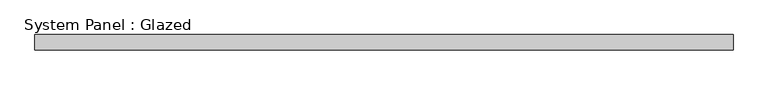
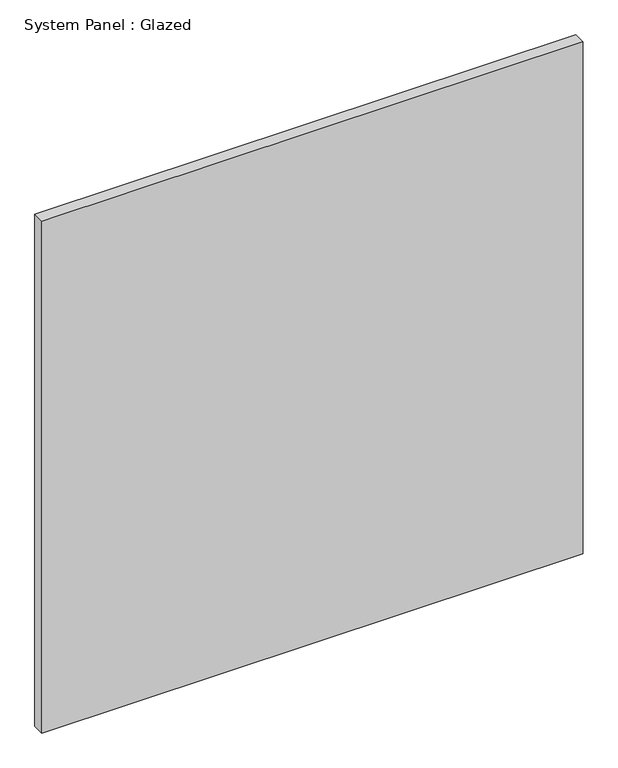
"""IFC4 building model written with IfcOpenShell, lengths in millimetres: plate geometry, System Panel : Glazed."""

from ifc_helpers import new_model, si_unit, origin, origin_with_axes, place, context, project, spatial, polyline, outline, extrude, source, transform, mapped, element, save


def system_panel_glazed_337d7198(model_context):
    return source(origin(), model_context, "Body", "SweptSolid", [
        extrude(outline(polyline([(571.5, -12.7), (-571.5, -12.7), (-571.5, 12.7), (571.5, 12.7), (571.5, -12.7)])), origin_with_axes(), (0.0, 0.0, 1.0), 1143.0),
    ])


if __name__ == "__main__":
    model = new_model("IFC4")
    model_context = context("Model", 3, world=origin())
    ifc_project = project(units=[si_unit("LENGTHUNIT", "METRE", prefix="MILLI")], contexts=[model_context])
    site = spatial("IfcSite", under=ifc_project)
    building = spatial("IfcBuilding", under=site)
    placement = place(None, origin())
    system_panel_glazed_shape = system_panel_glazed_337d7198(model_context)
    element("IfcPlate", 1, ObjectType="System Panel : Glazed", at=placement, inside=building, context=model_context, shape_type="MappedRepresentation", body=[
        mapped(system_panel_glazed_shape, transform((0.0, 0.0, 0.0), x_axis=(1.0, 0.0, 0.0), y_axis=(0.0, 1.0, 0.0), z_axis=(0.0, 0.0, 1.0))),
    ])
    save(model, "model.ifc")
